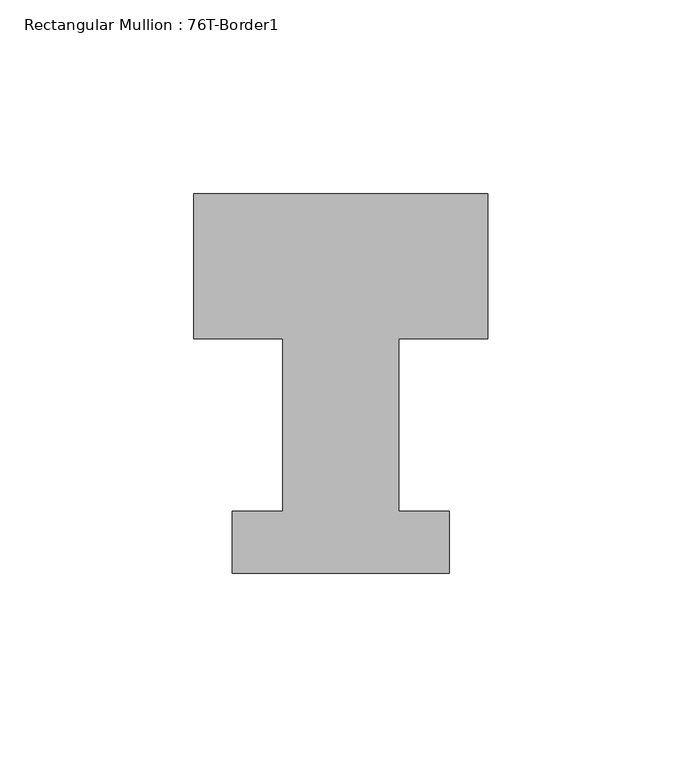
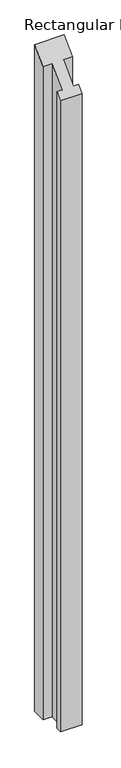
"""IFC4 building model written with IfcOpenShell, lengths in millimetres: member geometry, Rectangular Mullion : 76T-Border1."""

import ifcopenshell
import ifcopenshell.guid

model = None  # the IFC model being written
_history = None  # IfcOwnerHistory: only IFC2X3 demands one
_inside = {}  # id of a spatial element -> (the spatial element, [elements in it])
_under = {}  # id of a project, library or spatial element -> (it, [spatial elements below it])
_declared = {}  # id of a project -> (the project, [libraries it declares])
_typed = {}  # id of a type object -> (the type object, [elements of that type])
_made_of = {}  # id of a material, layer set ... -> (it, [elements and type objects made of it])


def new_model(schema):
    """Start an empty IFC model of exactly this schema.

    Asked for "IFC4X3", IfcOpenShell would pick the latest addendum, in which some entities
    have other attributes; the version numbers below select the first issue.
    IFC2X3 requires an IfcOwnerHistory on every rooted entity: one is made here for all.
    """
    global model, _history
    if schema == "IFC4X3":
        model = ifcopenshell.file(schema_version=(4, 3, 0, 0))
    else:
        model = ifcopenshell.file(schema=schema)
    _inside.clear()
    _under.clear()
    _declared.clear()
    _typed.clear()
    _made_of.clear()
    _history = None
    if model.schema == "IFC2X3":
        org = make("IfcOrganization", Name="unknown")
        user = make(
            "IfcPersonAndOrganization",
            ThePerson=make("IfcPerson", FamilyName="unknown"),
            TheOrganization=org,
        )
        app = make(
            "IfcApplication",
            ApplicationDeveloper=org,
            Version="unknown",
            ApplicationFullName="unknown",
            ApplicationIdentifier="unknown",
        )
        _history = make(
            "IfcOwnerHistory",
            OwningUser=user,
            OwningApplication=app,
            ChangeAction="ADDED",
            CreationDate=0,
        )
    return model


def make(cls, **values):
    """One entity of the class cls with the attributes given. An attribute that is None is left unset."""
    return model.create_entity(
        cls, **{name: value for name, value in values.items() if value is not None}
    )


def rooted(cls, **values):
    """An entity with a GlobalId (a new one), such as an element, a storey or a relation."""
    return make(cls, GlobalId=ifcopenshell.guid.new(), OwnerHistory=_history, **values)


def si_unit(unit_type, name, prefix=None):
    """IfcSIUnit, for example si_unit("LENGTHUNIT", "METRE", prefix="MILLI")."""
    return make("IfcSIUnit", UnitType=unit_type, Prefix=prefix, Name=name)


def assignment(units):
    """IfcUnitAssignment: the units of a project."""
    return None if units is None else make("IfcUnitAssignment", Units=units)


def point(xyz):
    """IfcCartesianPoint."""
    return None if xyz is None else make("IfcCartesianPoint", Coordinates=xyz)


def direction(xyz):
    """IfcDirection."""
    return None if xyz is None else make("IfcDirection", DirectionRatios=xyz)


def frame(location, z_axis=None, x_axis=None):
    """IfcAxis2Placement3D, a coordinate frame: its origin and axes. An axis left out is left unset."""
    return make(
        "IfcAxis2Placement3D",
        Location=point(location),
        Axis=direction(z_axis),
        RefDirection=direction(x_axis),
    )


def origin():
    """The frame at (0, 0, 0) with its axes left unset."""
    return frame((0.0, 0.0, 0.0))


def place(relative_to, where):
    """IfcLocalPlacement: puts the frame where relative to a parent placement (None: the world)."""
    return make(
        "IfcLocalPlacement", PlacementRelTo=relative_to, RelativePlacement=where
    )


def context(
    kind, dimensions, precision=None, world=None, true_north=None, identifier=None
):
    """IfcGeometricRepresentationContext, for example the 3D "Model" context."""
    return make(
        "IfcGeometricRepresentationContext",
        ContextIdentifier=identifier,
        ContextType=kind,
        CoordinateSpaceDimension=dimensions,
        Precision=precision,
        WorldCoordinateSystem=world,
        TrueNorth=true_north,
    )


def project(units=None, contexts=None):
    """IfcProject with its units and contexts."""
    return rooted(
        "IfcProject",
        Name="project",
        RepresentationContexts=contexts,
        UnitsInContext=assignment(units),
    )


def spatial(cls, under=None, at=None, **own):
    """A site, building, storey or space (cls), placed at a placement, below another one or the project."""
    s = rooted(cls, ObjectPlacement=at, **own)
    if under is not None:
        _under.setdefault(under.id(), (under, []))[1].append(s)
    return s


def faces_of(points, faces, orient=None, outer=None):
    """IfcFace entities. A face is a list of loops; a loop is a list of indices into points, from 0.

    orient and outer hold one flag for each loop. By default every Orientation is true, the
    first loop of a face is its IfcFaceOuterBound and the others are IfcFaceBound.
    """
    made = []
    for i, loops in enumerate(faces):
        bounds = []
        for j, loop in enumerate(loops):
            is_outer = j == 0 if outer is None else outer[i][j]
            bounds.append(
                make(
                    "IfcFaceOuterBound" if is_outer else "IfcFaceBound",
                    Bound=make("IfcPolyLoop", Polygon=[points[k] for k in loop]),
                    Orientation=True if orient is None else orient[i][j],
                )
            )
        made.append(make("IfcFace", Bounds=bounds))
    return made


def faceted_brep(points, faces, orient=None, outer=None, voids=None):
    """IfcFacetedBrep: a solid bounded by flat faces; with voids (closed shells), ...WithVoids."""
    shared = [point(p) for p in points]
    hull = make("IfcClosedShell", CfsFaces=faces_of(shared, faces, orient, outer))
    if voids is None:
        return make("IfcFacetedBrep", Outer=hull)
    return make(
        "IfcFacetedBrepWithVoids",
        Outer=hull,
        Voids=[
            make(cls, CfsFaces=faces_of(shared, fs, o, b)) for cls, fs, o, b in voids
        ],
    )


def shape(context_of_items, identifier, shape_type, items):
    """IfcShapeRepresentation: the items that make up one representation, for example the "Body"."""
    return make(
        "IfcShapeRepresentation",
        ContextOfItems=context_of_items,
        RepresentationIdentifier=identifier,
        RepresentationType=shape_type,
        Items=items,
    )


def source(mapping_origin, context_of_items, identifier, shape_type, items):
    """IfcRepresentationMap: a shape defined once, which mapped items show again and again."""
    return make(
        "IfcRepresentationMap",
        MappingOrigin=mapping_origin,
        MappedRepresentation=shape(context_of_items, identifier, shape_type, items),
    )


def transform(
    local_origin,
    x_axis=None,
    y_axis=None,
    z_axis=None,
    scale=None,
    scale2=None,
    scale3=None,
    uniform=True,
):
    """IfcCartesianTransformationOperator3D, or its non-uniform kind. x_axis, y_axis, z_axis: its Axis1, 2, 3."""
    if uniform:
        return make(
            "IfcCartesianTransformationOperator3D",
            Axis1=direction(x_axis),
            Axis2=direction(y_axis),
            LocalOrigin=point(local_origin),
            Scale=scale,
            Axis3=direction(z_axis),
        )
    return make(
        "IfcCartesianTransformationOperator3DnonUniform",
        Axis1=direction(x_axis),
        Axis2=direction(y_axis),
        LocalOrigin=point(local_origin),
        Scale=scale,
        Axis3=direction(z_axis),
        Scale2=scale2,
        Scale3=scale3,
    )


def mapped(mapping_source, mapping_target):
    """IfcMappedItem: shows the shape of a source again, moved by a transform."""
    return make(
        "IfcMappedItem", MappingSource=mapping_source, MappingTarget=mapping_target
    )


def made_of(thing, what):
    """Note that an element or type object is made of a material, layer set ...; save() writes the relation."""
    if what is not None:
        _made_of.setdefault(what.id(), (what, []))[1].append(thing)
    return thing


def element(
    cls,
    number,
    at=None,
    inside=None,
    cuts=None,
    type_object=None,
    material=None,
    context=None,
    identifier="Body",
    shape_type=None,
    held_by="IfcProductDefinitionShape",
    body=None,
    shapes=None,
    **own,
):
    """One element of the class cls, such as IfcWall. Its Tag is "e" and its number.

    at: its placement. inside: the storey or other place that contains it. cuts: it is an
    opening in that element (IfcRelVoidsElement). A single representation is given by context,
    identifier, shape_type and body (its items); several are given by shapes. held_by: the class
    of the entity that holds the representations. save() writes the other relations.
    """
    e = rooted(cls, Tag="e%d" % number, ObjectPlacement=at, **own)
    if body is not None:
        shapes = [shape(context, identifier, shape_type, body)]
    if shapes is not None:
        e.Representation = make(held_by, Representations=shapes)
    if inside is not None:
        _inside.setdefault(inside.id(), (inside, []))[1].append(e)
    if cuts is not None:
        rooted(
            "IfcRelVoidsElement", RelatingBuildingElement=cuts, RelatedOpeningElement=e
        )
    if type_object is not None:
        _typed.setdefault(type_object.id(), (type_object, []))[1].append(e)
    return made_of(e, material)


def aggregate(whole, parts):
    """IfcRelAggregates: a whole, such as a stair, and the parts it consists of."""
    return rooted("IfcRelAggregates", RelatingObject=whole, RelatedObjects=parts)


def save(model, path):
    """Write the relations noted so far, then the file.

    IfcRelAggregates (storeys below a building ...), IfcRelContainedInSpatialStructure (elements
    in a storey), IfcRelDefinesByType, IfcRelAssociatesMaterial and IfcRelDeclares: one each for
    every whole, place, type object, material and project.
    """
    for whole, parts in _under.values():
        aggregate(whole, parts)
    for where, things in _inside.values():
        rooted(
            "IfcRelContainedInSpatialStructure",
            RelatedElements=things,
            RelatingStructure=where,
        )
    for kind, things in _typed.values():
        rooted("IfcRelDefinesByType", RelatedObjects=things, RelatingType=kind)
    for what, things in _made_of.values():
        rooted("IfcRelAssociatesMaterial", RelatedObjects=things, RelatingMaterial=what)
    for by, libraries in _declared.values():
        rooted("IfcRelDeclares", RelatingContext=by, RelatedDefinitions=libraries)
    model.write(path)


def rectangular_mullion_76t_border1_4b029aae(model_context):
    return source(origin(), model_context, "Body", "Brep", [
        faceted_brep([(-76.0, 38.0, -1784.0), (0.0, 38.0, -1784.0), (0.0, 0.5, -1784.0), (-23.0, 0.5, -1784.0), (-23.0, -44.0, -1784.0), (-10.0, -44.0, -1784.0), (-10.0, -60.0, -1784.0), (-66.0, -60.0, -1784.0), (-66.0, -44.0, -1784.0), (-53.0, -44.0, -1784.0), (-53.0, 0.5, -1784.0), (-76.0, 0.5, -1784.0), (-76.0, 0.5, 0.5), (-76.0, 38.0, 38.0), (-53.0, 0.5, 0.5), (-53.0, -44.0, -44.0), (-66.0, -44.0, -44.0), (-66.0, -60.0, -60.0), (-10.0, -60.0, -60.0), (-10.0, -44.0, -44.0), (-23.0, -44.0, -44.0), (-23.0, 0.5, 0.5), (0.0, 0.5, 0.5), (0.0, 38.0, 38.0)], [[[0, 1, 2, 3, 4, 5, 6, 7, 8, 9, 10, 11]], [[12, 13, 0, 11]], [[14, 12, 11, 10]], [[15, 14, 10, 9]], [[16, 15, 9, 8]], [[17, 16, 8, 7]], [[18, 17, 7, 6]], [[19, 18, 6, 5]], [[20, 19, 5, 4]], [[21, 20, 4, 3]], [[22, 21, 3, 2]], [[23, 22, 2, 1]], [[13, 23, 1, 0]], [[13, 12, 14, 15, 16, 17, 18, 19, 20, 21, 22, 23]]]),
    ])


if __name__ == "__main__":
    model = new_model("IFC4")
    model_context = context("Model", 3, world=origin())
    ifc_project = project(units=[si_unit("LENGTHUNIT", "METRE", prefix="MILLI")], contexts=[model_context])
    site = spatial("IfcSite", under=ifc_project)
    building = spatial("IfcBuilding", under=site)
    placement = place(None, origin())
    rectangular_mullion_76t_border1_shape = rectangular_mullion_76t_border1_4b029aae(model_context)
    element("IfcMember", 1, ObjectType="Rectangular Mullion : 76T-Border1", at=placement, inside=building, context=model_context, shape_type="MappedRepresentation", body=[
        mapped(rectangular_mullion_76t_border1_shape, transform((0.0, 0.0, 0.0), x_axis=(1.0, 0.0, 0.0), y_axis=(0.0, 1.0, 0.0), z_axis=(0.0, 0.0, 1.0))),
    ])
    save(model, "model.ifc")
